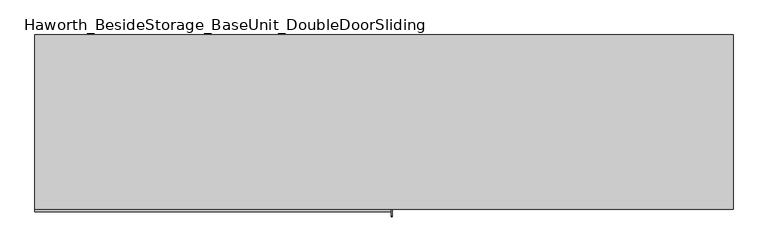
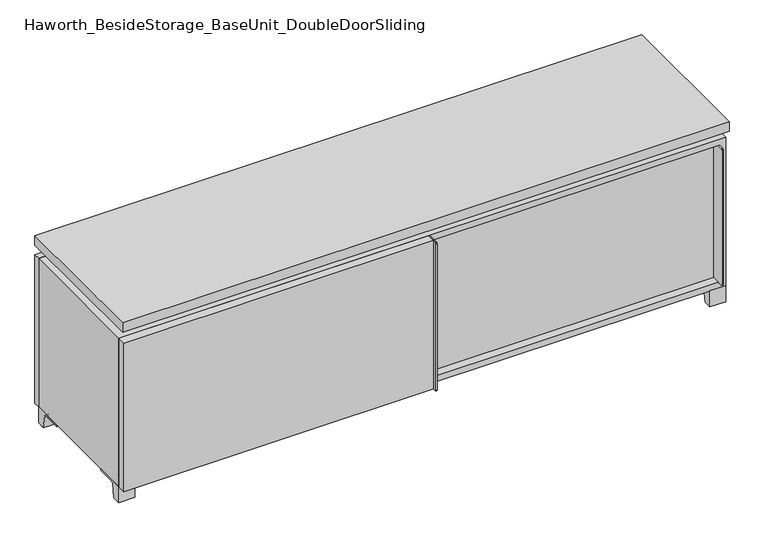
"""IFC4 building model written with IfcOpenShell, lengths in millimetres: furniture geometry, Haworth_BesideStorage_BaseUnit_DoubleDoorSliding."""

from ifc_helpers import new_model, si_unit, point, frame, frame_2d, origin, place, context, project, spatial, polyline, circle_curve, trimmed, segment, composite_curve, outline, extrude, faceted_brep, source, transform, mapped, element, save


def haworth_besidestorage_baseunit_doubledoorsliding_b6ae6ead(model_context):
    return source(origin(), model_context, "Body", "SolidModel", [
        extrude(outline(polyline([(9.5319453, 241.3), (895.3569453, 241.3), (895.3569453, -92.075), (9.5319453, -92.075), (9.5319453, 241.3)])), frame((0.0, 0.0, 277.8125), z_axis=(0.0, 0.0, 1.0), x_axis=(1.0, 0.0, 0.0)), (0.0, 0.0, 1.0), 19.05),
        extrude(outline(polyline([(-9.5041641, 241.3), (-9.5041641, -92.075), (-895.3291641, -92.075), (-895.3291641, 241.3), (-9.5041641, 241.3)])), frame((0.0, 0.0, 277.8125), z_axis=(0.0, 0.0, 1.0), x_axis=(1.0, 0.0, 0.0)), (0.0, 0.0, 1.0), 19.05),
        extrude(outline(composite_curve([segment(polyline([(47.6249864, 0.0), (22.225, 0.0), (22.225, 50.8), (117.475, 50.8), (117.475, 46.0213321), (60.6744655, 46.0213321)]), True, "CONTINUOUS"), segment(trimmed(circle_curve(frame_2d((60.6744655, 39.6713321)), 6.35), [point((60.6744655, 46.0213321))], [point((54.4108641, 40.7152656))], True, "CARTESIAN"), True, "CONTINUOUS"), segment(polyline([(54.4108641, 40.7152656), (47.6249864, 0.0)]), True, "CONTINUOUS")], self_intersect=False)), frame((-23.7986094, 0.0, 0.0), z_axis=(1.0, 0.0, 0.0), x_axis=(0.0, 1.0, 0.0)), (0.0, 0.0, 1.0), 47.625),
        extrude(outline(composite_curve([segment(polyline([(-95.25, 504.825), (-95.25, 69.85), (-161.925, 69.85)]), True, "CONTINUOUS"), segment(trimmed(circle_curve(frame_2d((-161.925, 73.025)), 3.175), [point((-161.925, 69.85))], [point((-165.1, 73.025))], False, "CARTESIAN"), True, "CONTINUOUS"), segment(polyline([(-165.1, 73.025), (-165.1, 501.65)]), True, "CONTINUOUS"), segment(trimmed(circle_curve(frame_2d((-161.925, 501.65)), 3.175), [point((-165.1, 501.65))], [point((-161.925, 504.825))], False, "CARTESIAN"), True, "CONTINUOUS"), segment(polyline([(-161.925, 504.825), (-95.25, 504.825)]), True, "CONTINUOUS")], self_intersect=False)), frame((892.1819453, 0.0, 0.0), z_axis=(1.0, 0.0, 0.0), x_axis=(0.0, 1.0, 0.0)), (0.0, 0.0, 1.0), 3.175),
        extrude(outline(polyline([(15.8819453, -95.25), (892.1819453, -95.25), (892.1819453, -120.65), (15.8819453, -120.65), (15.8819453, -95.25)])), frame((0.0, 0.0, 69.85), z_axis=(0.0, 0.0, 1.0), x_axis=(1.0, 0.0, 0.0)), (0.0, 0.0, 1.0), 434.975),
        extrude(outline(polyline([(914.4138906, 292.1), (914.4138906, -165.1), (-914.3861094, -165.1), (-914.3861094, 292.1), (914.4138906, 292.1)])), frame((0.0, 0.0, 554.0375), z_axis=(0.0, 0.0, 1.0), x_axis=(1.0, 0.0, 0.0)), (0.0, 0.0, 1.0), 30.1625),
        extrude(outline(composite_curve([segment(polyline([(-146.05, 523.875), (-146.05, 50.8), (-180.975, 50.8)]), True, "CONTINUOUS"), segment(trimmed(circle_curve(frame_2d((-180.975, 53.975)), 3.175), [point((-180.975, 50.8))], [point((-184.15, 53.975))], False, "CARTESIAN"), True, "CONTINUOUS"), segment(polyline([(-184.15, 53.975), (-184.15, 520.7)]), True, "CONTINUOUS"), segment(trimmed(circle_curve(frame_2d((-180.975, 520.7)), 3.175), [point((-184.15, 520.7))], [point((-180.975, 523.875))], False, "CARTESIAN"), True, "CONTINUOUS"), segment(polyline([(-180.975, 523.875), (-146.05, 523.875)]), True, "CONTINUOUS")], self_intersect=False)), frame((19.0638906, 0.0, 0.0), z_axis=(1.0, 0.0, 0.0), x_axis=(0.0, 1.0, 0.0)), (0.0, 0.0, 1.0), 3.175),
        extrude(outline(polyline([(-914.3861094, -146.05), (19.0638906, -146.05), (19.0638906, -171.45), (-914.3861094, -171.45), (-914.3861094, -146.05)])), frame((0.0, 0.0, 50.8), z_axis=(0.0, 0.0, 1.0), x_axis=(1.0, 0.0, 0.0)), (0.0, 0.0, 1.0), 473.075),
        extrude(outline(composite_curve([segment(polyline([(-120.6500136, 0.0), (-146.05, 0.0), (-146.05, 50.8), (-50.8, 50.8), (-50.8, 46.0213321), (-107.6005345, 46.0213321)]), True, "CONTINUOUS"), segment(trimmed(circle_curve(frame_2d((-107.6005345, 39.6713321)), 6.35), [point((-107.6005345, 46.0213321))], [point((-113.8641359, 40.7152656))], True, "CARTESIAN"), True, "CONTINUOUS"), segment(polyline([(-113.8641359, 40.7152656), (-120.6500136, 0.0)]), True, "CONTINUOUS")], self_intersect=False)), frame((866.7888906, 0.0, 0.0), z_axis=(1.0, 0.0, 0.0), x_axis=(0.0, 1.0, 0.0)), (0.0, 0.0, 1.0), 47.625),
        extrude(outline(composite_curve([segment(polyline([(247.6500136, 0.0), (240.8641359, 40.7152656)]), True, "CONTINUOUS"), segment(trimmed(circle_curve(frame_2d((234.6005345, 39.6713321)), 6.35), [point((240.8641359, 40.7152656))], [point((234.6005345, 46.0213321))], True, "CARTESIAN"), True, "CONTINUOUS"), segment(polyline([(234.6005345, 46.0213321), (177.8, 46.0213321), (177.8, 50.8), (273.05, 50.8), (273.05, 0.0), (247.6500136, 0.0)]), True, "CONTINUOUS")], self_intersect=False)), frame((866.7888906, 0.0, 0.0), z_axis=(1.0, 0.0, 0.0), x_axis=(0.0, 1.0, 0.0)), (0.0, 0.0, 1.0), 47.625),
        extrude(outline(composite_curve([segment(polyline([(-120.6500136, 0.0), (-146.05, 0.0), (-146.05, 50.8), (-50.8, 50.8), (-50.8, 46.0213321), (-107.6005345, 46.0213321)]), True, "CONTINUOUS"), segment(trimmed(circle_curve(frame_2d((-107.6005345, 39.6713321)), 6.35), [point((-107.6005345, 46.0213321))], [point((-113.8641359, 40.7152656))], True, "CARTESIAN"), True, "CONTINUOUS"), segment(polyline([(-113.8641359, 40.7152656), (-120.6500136, 0.0)]), True, "CONTINUOUS")], self_intersect=False)), frame((-914.3861094, 0.0, 0.0), z_axis=(1.0, 0.0, 0.0), x_axis=(0.0, 1.0, 0.0)), (0.0, 0.0, 1.0), 47.625),
        extrude(outline(composite_curve([segment(polyline([(247.6500136, 0.0), (240.8641359, 40.7152656)]), True, "CONTINUOUS"), segment(trimmed(circle_curve(frame_2d((234.6005345, 39.6713321)), 6.35), [point((240.8641359, 40.7152656))], [point((234.6005345, 46.0213321))], True, "CARTESIAN"), True, "CONTINUOUS"), segment(polyline([(234.6005345, 46.0213321), (177.8, 46.0213321), (177.8, 50.8), (273.05, 50.8), (273.05, 0.0), (247.6500136, 0.0)]), True, "CONTINUOUS")], self_intersect=False)), frame((-914.3861094, 0.0, 0.0), z_axis=(1.0, 0.0, 0.0), x_axis=(0.0, 1.0, 0.0)), (0.0, 0.0, 1.0), 47.625),
        faceted_brep([(7.9513906, -120.65, 554.0375), (7.9513906, -120.65, 523.875), (7.9513906, 53.975, 523.875), (7.9513906, 53.975, 554.0375), (7.9513906, 247.65, 523.875), (7.9513906, 247.65, 554.0375), (7.9513906, 73.025, 554.0375), (7.9513906, 73.025, 523.875), (-7.9236094, 247.65, 554.0375), (-7.9236094, 247.65, 523.875), (-7.9236094, 73.025, 523.875), (-7.9236094, 73.025, 554.0375), (-7.9236094, -120.65, 523.875), (-7.9236094, -120.65, 554.0375), (-7.9236094, 53.975, 554.0375), (-7.9236094, 53.975, 523.875), (-873.0833281, 73.025, 554.0375), (-873.1041641, 247.65, 554.0375), (-888.9791641, 247.65, 554.0375), (-888.9791641, -120.65, 554.0375), (-873.1041641, -120.65, 554.0375), (-873.1041641, 53.975, 554.0375), (873.1111094, 53.975, 554.0375), (873.1111094, -120.65, 554.0375), (888.9861094, -120.65, 554.0375), (888.9861094, 247.65, 554.0375), (873.1111094, 247.65, 554.0375), (873.1111094, 73.025, 554.0375), (-873.0833281, 53.975, 523.875), (-873.1041641, -120.65, 523.875), (-888.9791641, -120.65, 523.875), (-888.9791641, 247.65, 523.875), (-873.1041641, 247.65, 523.875), (-873.1041641, 73.025, 523.875), (873.1111094, 73.025, 523.875), (873.1111094, 247.65, 523.875), (888.9861094, 247.65, 523.875), (888.9861094, -120.65, 523.875), (873.1111094, -120.65, 523.875), (873.1111094, 53.975, 523.875)], [[[0, 1, 2, 3]], [[4, 5, 6, 7]], [[8, 9, 10, 11]], [[12, 13, 14, 15]], [[5, 8, 11, 16, 17, 18, 19, 20, 21, 14, 13, 0, 3, 22, 23, 24, 25, 26, 27, 6]], [[1, 12, 15, 28, 29, 30, 31, 32, 33, 10, 9, 4, 7, 34, 35, 36, 37, 38, 39, 2]], [[5, 4, 9, 8]], [[1, 0, 13, 12]], [[6, 27, 34, 7]], [[22, 3, 2, 39]], [[20, 29, 28, 21]], [[32, 17, 16, 33]], [[18, 31, 30, 19]], [[29, 20, 19, 30]], [[17, 32, 31, 18]], [[26, 35, 34, 27]], [[38, 23, 22, 39]], [[25, 24, 37, 36]], [[23, 38, 37, 24]], [[35, 26, 25, 36]], [[16, 11, 10, 33]], [[14, 21, 28, 15]]]),
        extrude(outline(polyline([(9.5388906, 241.3), (9.5388906, -95.25), (-9.5111094, -95.25), (-9.5111094, 241.3), (9.5388906, 241.3)])), frame((0.0, 0.0, 69.85), z_axis=(0.0, 0.0, 1.0), x_axis=(1.0, 0.0, 0.0)), (0.0, 0.0, 1.0), 434.975),
        extrude(outline(polyline([(15.8888906, -88.9), (15.8888906, -146.05), (-9.5111094, -146.05), (-9.5111094, -120.65), (3.1888906, -120.65), (3.1888906, -88.9), (15.8888906, -88.9)])), frame((0.0, 0.0, 69.85), z_axis=(0.0, 0.0, 1.0), x_axis=(1.0, 0.0, 0.0)), (0.0, 0.0, 1.0), 434.975),
        extrude(outline(polyline([(914.4138906, 273.05), (-914.3861094, 273.05), (-914.3861094, 292.1), (914.4138906, 292.1), (914.4138906, 273.05)])), frame((0.0, 0.0, 50.8), z_axis=(0.0, 0.0, 1.0), x_axis=(1.0, 0.0, 0.0)), (0.0, 0.0, 1.0), 473.075),
        extrude(outline(polyline([(50.8, -914.3861094), (50.8, 914.4), (523.875, 914.4), (523.875, -914.3861094), (50.8, -914.3861094)]), holes=[polyline([(69.85, -895.3361094), (504.825, -895.3361094), (504.825, 895.3361094), (69.85, 895.3361094), (69.85, -895.3361094)])]), frame((0.0, -146.05, 0.0), z_axis=(0.0, 1.0, 0.0), x_axis=(0.0, 0.0, 1.0)), (0.0, 0.0, 1.0), 419.1),
        extrude(outline(polyline([(-895.3291641, 241.3), (-895.3291641, 247.65), (895.3569453, 247.65), (895.3569453, 241.3), (-895.3291641, 241.3)])), frame((0.0, 0.0, 69.85), z_axis=(0.0, 0.0, 1.0), x_axis=(1.0, 0.0, 0.0)), (0.0, 0.0, 1.0), 434.975),
    ])


if __name__ == "__main__":
    model = new_model("IFC4")
    model_context = context("Model", 3, world=origin())
    ifc_project = project(units=[si_unit("LENGTHUNIT", "METRE", prefix="MILLI")], contexts=[model_context])
    site = spatial("IfcSite", under=ifc_project)
    building = spatial("IfcBuilding", under=site)
    placement = place(None, origin())
    haworth_besidestorage_baseunit_doubledoorsliding_shape = haworth_besidestorage_baseunit_doubledoorsliding_b6ae6ead(model_context)
    element("IfcFurniture", 1, ObjectType="Haworth_BesideStorage_BaseUnit_DoubleDoorSliding", at=placement, inside=building, context=model_context, shape_type="MappedRepresentation", body=[
        mapped(haworth_besidestorage_baseunit_doubledoorsliding_shape, transform((0.0, 0.0, 0.0), x_axis=(1.0, 0.0, 0.0), y_axis=(0.0, 1.0, 0.0), z_axis=(0.0, 0.0, 1.0))),
    ])
    save(model, "model.ifc")
